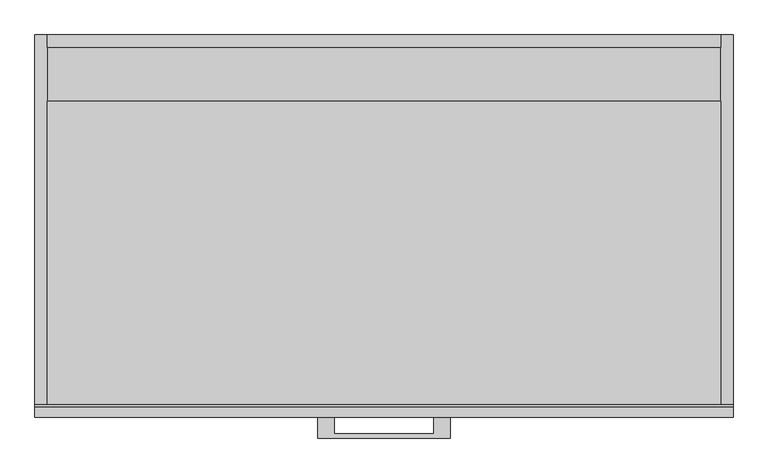
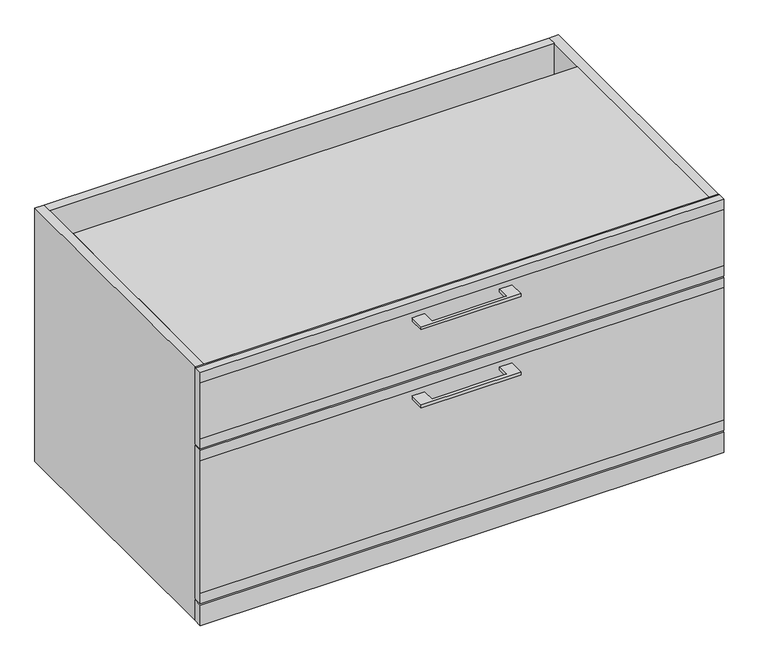
"""IFC4 building model written with IfcOpenShell, lengths in millimetres: furniture geometry."""

from ifc_helpers import new_model, si_unit, frame, origin, origin_with_axes, place, context, project, spatial, polyline, outline, extrude, source, transform, mapped, element, save


def furniture_6af8a4f6(model_context):
    return source(origin(), model_context, "Body", "SweptSolid", [
        extrude(outline(polyline([(-76.1999879, -584.2), (-76.1999879, -609.5999758), (76.2000061, -609.5999758), (76.2000061, -584.2), (101.6, -584.2), (101.6, -615.9499879), (-101.6, -615.9499879), (-101.6, -584.2), (-76.1999879, -584.2)])), frame((0.0, 0.0, 506.4125506), z_axis=(0.0, 0.0, 1.0), x_axis=(1.0, 0.0, 0.0)), (0.0, 0.0, 1.0), 6.3499758),
        extrude(outline(polyline([(-568.325, 546.1), (-565.15, 546.1), (-565.15, 381.0), (-568.325, 381.0), (-584.2, 381.0), (-584.2, 403.225), (-584.2, 523.875), (-584.2, 546.1), (-568.325, 546.1)])), frame((-533.4, 0.0, 0.0), z_axis=(1.0, 0.0, 0.0), x_axis=(0.0, 1.0, 0.0)), (0.0, 0.0, 1.0), 1066.8),
        extrude(outline(polyline([(-76.1999879, -584.2), (-76.1999879, -609.5999758), (76.2000061, -609.5999758), (76.2000061, -584.2), (101.6, -584.2), (101.6, -615.9499879), (-101.6, -615.9499879), (-101.6, -584.2), (-76.1999879, -584.2)])), frame((0.0, 0.0, 338.1375506), z_axis=(0.0, 0.0, 1.0), x_axis=(1.0, 0.0, 0.0)), (0.0, 0.0, 1.0), 6.3499758),
        extrude(outline(polyline([(-568.325, 377.825), (-565.15, 377.825), (-565.15, 47.625), (-568.325, 47.625), (-584.2, 47.625), (-584.2, 69.85), (-584.2, 355.6), (-584.2, 377.825), (-568.325, 377.825)])), frame((-533.4, 0.0, 0.0), z_axis=(1.0, 0.0, 0.0), x_axis=(0.0, 1.0, 0.0)), (0.0, 0.0, 1.0), 1066.8),
        extrude(outline(polyline([(-514.35, 0.0), (514.35, 0.0), (514.35, -565.15), (-514.35, -565.15), (-514.35, 0.0)])), origin_with_axes(), (0.0, 0.0, 1.0), 19.05),
        extrude(outline(polyline([(-514.35, 0.0), (514.35, 0.0), (514.35, -19.05), (-514.35, -19.05), (-514.35, 0.0)])), frame((0.0, 0.0, 327.025), z_axis=(0.0, 0.0, 1.0), x_axis=(1.0, 0.0, 0.0)), (0.0, 0.0, 1.0), 219.075),
        extrude(outline(polyline([(-514.35, -101.6), (514.35, -101.6), (514.35, -565.15), (-514.35, -565.15), (-514.35, -101.6)])), frame((0.0, 0.0, 528.6375), z_axis=(0.0, 0.0, 1.0), x_axis=(1.0, 0.0, 0.0)), (0.0, 0.0, 1.0), 17.4625),
        extrude(outline(polyline([(533.4, 0.0), (533.4, -565.15), (514.35, -565.15), (514.35, 0.0), (533.4, 0.0)])), origin_with_axes(), (0.0, 0.0, 1.0), 546.1),
        extrude(outline(polyline([(533.4, -565.15), (533.4, -584.2), (-533.4, -584.2), (-533.4, -565.15), (533.4, -565.15)])), origin_with_axes(), (0.0, 0.0, 1.0), 44.45),
        extrude(outline(polyline([(-514.35, 0.0), (-514.35, -565.15), (-533.4, -565.15), (-533.4, 0.0), (-514.35, 0.0)])), origin_with_axes(), (0.0, 0.0, 1.0), 546.1),
    ])


if __name__ == "__main__":
    model = new_model("IFC4")
    model_context = context("Model", 3, world=origin())
    ifc_project = project(units=[si_unit("LENGTHUNIT", "METRE", prefix="MILLI")], contexts=[model_context])
    site = spatial("IfcSite", under=ifc_project)
    building = spatial("IfcBuilding", under=site)
    placement = place(None, origin())
    furniture_shape = furniture_6af8a4f6(model_context)
    element("IfcFurniture", 1, at=placement, inside=building, context=model_context, shape_type="MappedRepresentation", body=[
        mapped(furniture_shape, transform((0.0, 0.0, 0.0), x_axis=(1.0, 0.0, 0.0), y_axis=(0.0, 1.0, 0.0), z_axis=(0.0, 0.0, 1.0))),
    ])
    save(model, "model.ifc")
